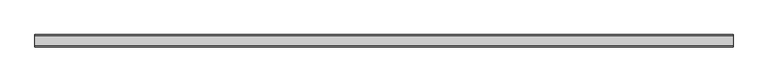
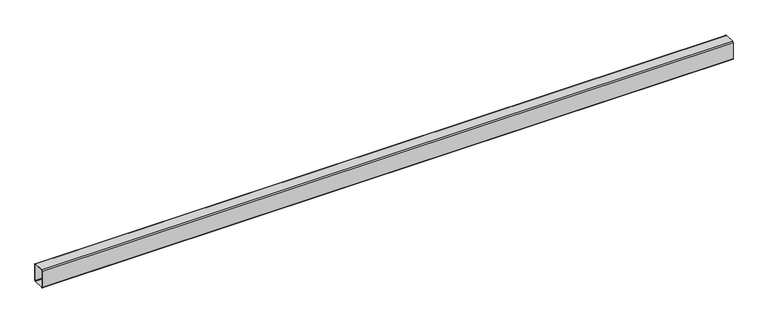
"""IFC4 building model written with IfcOpenShell, lengths in millimetres: beam geometry."""

import ifcopenshell
import ifcopenshell.guid

model = None  # the IFC model being written
_history = None  # IfcOwnerHistory: only IFC2X3 demands one
_inside = {}  # id of a spatial element -> (the spatial element, [elements in it])
_under = {}  # id of a project, library or spatial element -> (it, [spatial elements below it])
_declared = {}  # id of a project -> (the project, [libraries it declares])
_typed = {}  # id of a type object -> (the type object, [elements of that type])
_made_of = {}  # id of a material, layer set ... -> (it, [elements and type objects made of it])


def new_model(schema):
    """Start an empty IFC model of exactly this schema.

    Asked for "IFC4X3", IfcOpenShell would pick the latest addendum, in which some entities
    have other attributes; the version numbers below select the first issue.
    IFC2X3 requires an IfcOwnerHistory on every rooted entity: one is made here for all.
    """
    global model, _history
    if schema == "IFC4X3":
        model = ifcopenshell.file(schema_version=(4, 3, 0, 0))
    else:
        model = ifcopenshell.file(schema=schema)
    _inside.clear()
    _under.clear()
    _declared.clear()
    _typed.clear()
    _made_of.clear()
    _history = None
    if model.schema == "IFC2X3":
        org = make("IfcOrganization", Name="unknown")
        user = make(
            "IfcPersonAndOrganization",
            ThePerson=make("IfcPerson", FamilyName="unknown"),
            TheOrganization=org,
        )
        app = make(
            "IfcApplication",
            ApplicationDeveloper=org,
            Version="unknown",
            ApplicationFullName="unknown",
            ApplicationIdentifier="unknown",
        )
        _history = make(
            "IfcOwnerHistory",
            OwningUser=user,
            OwningApplication=app,
            ChangeAction="ADDED",
            CreationDate=0,
        )
    return model


def make(cls, **values):
    """One entity of the class cls with the attributes given. An attribute that is None is left unset."""
    return model.create_entity(
        cls, **{name: value for name, value in values.items() if value is not None}
    )


def rooted(cls, **values):
    """An entity with a GlobalId (a new one), such as an element, a storey or a relation."""
    return make(cls, GlobalId=ifcopenshell.guid.new(), OwnerHistory=_history, **values)


def si_unit(unit_type, name, prefix=None):
    """IfcSIUnit, for example si_unit("LENGTHUNIT", "METRE", prefix="MILLI")."""
    return make("IfcSIUnit", UnitType=unit_type, Prefix=prefix, Name=name)


def assignment(units):
    """IfcUnitAssignment: the units of a project."""
    return None if units is None else make("IfcUnitAssignment", Units=units)


def point(xyz):
    """IfcCartesianPoint."""
    return None if xyz is None else make("IfcCartesianPoint", Coordinates=xyz)


def direction(xyz):
    """IfcDirection."""
    return None if xyz is None else make("IfcDirection", DirectionRatios=xyz)


def frame(location, z_axis=None, x_axis=None):
    """IfcAxis2Placement3D, a coordinate frame: its origin and axes. An axis left out is left unset."""
    return make(
        "IfcAxis2Placement3D",
        Location=point(location),
        Axis=direction(z_axis),
        RefDirection=direction(x_axis),
    )


def frame_2d(location, x_axis=None):
    """IfcAxis2Placement2D, a coordinate frame in the plane: its origin and x axis."""
    return make(
        "IfcAxis2Placement2D", Location=point(location), RefDirection=direction(x_axis)
    )


def origin():
    """The frame at (0, 0, 0) with its axes left unset."""
    return frame((0.0, 0.0, 0.0))


def place(relative_to, where):
    """IfcLocalPlacement: puts the frame where relative to a parent placement (None: the world)."""
    return make(
        "IfcLocalPlacement", PlacementRelTo=relative_to, RelativePlacement=where
    )


def context(
    kind, dimensions, precision=None, world=None, true_north=None, identifier=None
):
    """IfcGeometricRepresentationContext, for example the 3D "Model" context."""
    return make(
        "IfcGeometricRepresentationContext",
        ContextIdentifier=identifier,
        ContextType=kind,
        CoordinateSpaceDimension=dimensions,
        Precision=precision,
        WorldCoordinateSystem=world,
        TrueNorth=true_north,
    )


def project(units=None, contexts=None):
    """IfcProject with its units and contexts."""
    return rooted(
        "IfcProject",
        Name="project",
        RepresentationContexts=contexts,
        UnitsInContext=assignment(units),
    )


def spatial(cls, under=None, at=None, **own):
    """A site, building, storey or space (cls), placed at a placement, below another one or the project."""
    s = rooted(cls, ObjectPlacement=at, **own)
    if under is not None:
        _under.setdefault(under.id(), (under, []))[1].append(s)
    return s


def polyline(points):
    """IfcPolyline through the points."""
    return make("IfcPolyline", Points=[point(p) for p in points])


def circle_curve(where, radius):
    """IfcCircle in the frame where."""
    return make("IfcCircle", Position=where, Radius=radius)


def trimmed(basis, trim1, trim2, sense, master):
    """IfcTrimmedCurve: the piece of a basis curve between two trims."""
    return make(
        "IfcTrimmedCurve",
        BasisCurve=basis,
        Trim1=trim1,
        Trim2=trim2,
        SenseAgreement=sense,
        MasterRepresentation=master,
    )


def segment(curve, same_sense, transition):
    """IfcCompositeCurveSegment."""
    return make(
        "IfcCompositeCurveSegment",
        Transition=transition,
        SameSense=same_sense,
        ParentCurve=curve,
    )


def composite_curve(segments, self_intersect=None):
    """IfcCompositeCurve: segments joined end to end."""
    return make("IfcCompositeCurve", Segments=segments, SelfIntersect=self_intersect)


def outline(outer, holes=None, kind="AREA"):
    """IfcArbitraryClosedProfileDef: a profile drawn as a closed curve; with holes, ...WithVoids."""
    if holes is None:
        return make("IfcArbitraryClosedProfileDef", ProfileType=kind, OuterCurve=outer)
    return make(
        "IfcArbitraryProfileDefWithVoids",
        ProfileType=kind,
        OuterCurve=outer,
        InnerCurves=holes,
    )


def extrude(swept, where, along, depth):
    """IfcExtrudedAreaSolid: the profile swept, set in the frame where, extruded along a direction by depth."""
    return make(
        "IfcExtrudedAreaSolid",
        SweptArea=swept,
        Position=where,
        ExtrudedDirection=direction(along),
        Depth=depth,
    )


def shape(context_of_items, identifier, shape_type, items):
    """IfcShapeRepresentation: the items that make up one representation, for example the "Body"."""
    return make(
        "IfcShapeRepresentation",
        ContextOfItems=context_of_items,
        RepresentationIdentifier=identifier,
        RepresentationType=shape_type,
        Items=items,
    )


def source(mapping_origin, context_of_items, identifier, shape_type, items):
    """IfcRepresentationMap: a shape defined once, which mapped items show again and again."""
    return make(
        "IfcRepresentationMap",
        MappingOrigin=mapping_origin,
        MappedRepresentation=shape(context_of_items, identifier, shape_type, items),
    )


def transform(
    local_origin,
    x_axis=None,
    y_axis=None,
    z_axis=None,
    scale=None,
    scale2=None,
    scale3=None,
    uniform=True,
):
    """IfcCartesianTransformationOperator3D, or its non-uniform kind. x_axis, y_axis, z_axis: its Axis1, 2, 3."""
    if uniform:
        return make(
            "IfcCartesianTransformationOperator3D",
            Axis1=direction(x_axis),
            Axis2=direction(y_axis),
            LocalOrigin=point(local_origin),
            Scale=scale,
            Axis3=direction(z_axis),
        )
    return make(
        "IfcCartesianTransformationOperator3DnonUniform",
        Axis1=direction(x_axis),
        Axis2=direction(y_axis),
        LocalOrigin=point(local_origin),
        Scale=scale,
        Axis3=direction(z_axis),
        Scale2=scale2,
        Scale3=scale3,
    )


def mapped(mapping_source, mapping_target):
    """IfcMappedItem: shows the shape of a source again, moved by a transform."""
    return make(
        "IfcMappedItem", MappingSource=mapping_source, MappingTarget=mapping_target
    )


def made_of(thing, what):
    """Note that an element or type object is made of a material, layer set ...; save() writes the relation."""
    if what is not None:
        _made_of.setdefault(what.id(), (what, []))[1].append(thing)
    return thing


def element(
    cls,
    number,
    at=None,
    inside=None,
    cuts=None,
    type_object=None,
    material=None,
    context=None,
    identifier="Body",
    shape_type=None,
    held_by="IfcProductDefinitionShape",
    body=None,
    shapes=None,
    **own,
):
    """One element of the class cls, such as IfcWall. Its Tag is "e" and its number.

    at: its placement. inside: the storey or other place that contains it. cuts: it is an
    opening in that element (IfcRelVoidsElement). A single representation is given by context,
    identifier, shape_type and body (its items); several are given by shapes. held_by: the class
    of the entity that holds the representations. save() writes the other relations.
    """
    e = rooted(cls, Tag="e%d" % number, ObjectPlacement=at, **own)
    if body is not None:
        shapes = [shape(context, identifier, shape_type, body)]
    if shapes is not None:
        e.Representation = make(held_by, Representations=shapes)
    if inside is not None:
        _inside.setdefault(inside.id(), (inside, []))[1].append(e)
    if cuts is not None:
        rooted(
            "IfcRelVoidsElement", RelatingBuildingElement=cuts, RelatedOpeningElement=e
        )
    if type_object is not None:
        _typed.setdefault(type_object.id(), (type_object, []))[1].append(e)
    return made_of(e, material)


def aggregate(whole, parts):
    """IfcRelAggregates: a whole, such as a stair, and the parts it consists of."""
    return rooted("IfcRelAggregates", RelatingObject=whole, RelatedObjects=parts)


def save(model, path):
    """Write the relations noted so far, then the file.

    IfcRelAggregates (storeys below a building ...), IfcRelContainedInSpatialStructure (elements
    in a storey), IfcRelDefinesByType, IfcRelAssociatesMaterial and IfcRelDeclares: one each for
    every whole, place, type object, material and project.
    """
    for whole, parts in _under.values():
        aggregate(whole, parts)
    for where, things in _inside.values():
        rooted(
            "IfcRelContainedInSpatialStructure",
            RelatedElements=things,
            RelatingStructure=where,
        )
    for kind, things in _typed.values():
        rooted("IfcRelDefinesByType", RelatedObjects=things, RelatingType=kind)
    for what, things in _made_of.values():
        rooted("IfcRelAssociatesMaterial", RelatedObjects=things, RelatingMaterial=what)
    for by, libraries in _declared.values():
        rooted("IfcRelDeclares", RelatingContext=by, RelatedDefinitions=libraries)
    model.write(path)


def beam_8427d070(model_context):
    return source(origin(), model_context, "Body", "SweptSolid", [
        extrude(outline(composite_curve([segment(polyline([(-21.0, 37.5), (21.0, 37.5)]), True, "CONTINUOUS"), segment(trimmed(circle_curve(frame_2d((21.0, 33.5)), 4.0), [point((21.0, 37.5))], [point((25.0, 33.5))], False, "CARTESIAN"), True, "CONTINUOUS"), segment(polyline([(25.0, 33.5), (25.0, -33.5)]), True, "CONTINUOUS"), segment(trimmed(circle_curve(frame_2d((21.0, -33.5)), 4.0), [point((25.0, -33.5))], [point((21.0, -37.5))], False, "CARTESIAN"), True, "CONTINUOUS"), segment(polyline([(21.0, -37.5), (-21.0, -37.5)]), True, "CONTINUOUS"), segment(trimmed(circle_curve(frame_2d((-21.0, -33.5)), 4.0), [point((-21.0, -37.5))], [point((-25.0, -33.5))], False, "CARTESIAN"), True, "CONTINUOUS"), segment(polyline([(-25.0, -33.5), (-25.0, 33.5)]), True, "CONTINUOUS"), segment(trimmed(circle_curve(frame_2d((-21.0, 33.5)), 4.0), [point((-25.0, 33.5))], [point((-21.0, 37.5))], False, "CARTESIAN"), True, "CONTINUOUS")], self_intersect=False), holes=[composite_curve([segment(trimmed(circle_curve(frame_2d((-21.0, 33.5)), 2.0), [point((-21.0, 35.5))], [point((-23.0, 33.5))], True, "CARTESIAN"), True, "CONTINUOUS"), segment(polyline([(-23.0, 33.5), (-23.0, -33.5)]), True, "CONTINUOUS"), segment(trimmed(circle_curve(frame_2d((-21.0, -33.5)), 2.0), [point((-23.0, -33.5))], [point((-21.0, -35.5))], True, "CARTESIAN"), True, "CONTINUOUS"), segment(polyline([(-21.0, -35.5), (21.0, -35.5)]), True, "CONTINUOUS"), segment(trimmed(circle_curve(frame_2d((21.0, -33.5)), 2.0), [point((21.0, -35.5))], [point((23.0, -33.5))], True, "CARTESIAN"), True, "CONTINUOUS"), segment(polyline([(23.0, -33.5), (23.0, 33.5)]), True, "CONTINUOUS"), segment(trimmed(circle_curve(frame_2d((21.0, 33.5)), 2.0), [point((23.0, 33.5))], [point((21.0, 35.5))], True, "CARTESIAN"), True, "CONTINUOUS"), segment(polyline([(21.0, 35.5), (-21.0, 35.5)]), True, "CONTINUOUS")], self_intersect=False)]), frame((-1424.8, 0.0, 0.0), z_axis=(1.0, 0.0, 0.0), x_axis=(0.0, 1.0, 0.0)), (0.0, 0.0, 1.0), 2774.6),
    ])


if __name__ == "__main__":
    model = new_model("IFC4")
    model_context = context("Model", 3, world=origin())
    ifc_project = project(units=[si_unit("LENGTHUNIT", "METRE", prefix="MILLI")], contexts=[model_context])
    site = spatial("IfcSite", under=ifc_project)
    building = spatial("IfcBuilding", under=site)
    placement = place(None, origin())
    beam_shape = beam_8427d070(model_context)
    element("IfcBeam", 1, at=placement, inside=building, context=model_context, shape_type="MappedRepresentation", body=[
        mapped(beam_shape, transform((0.0, 0.0, 0.0), x_axis=(1.0, 0.0, 0.0), y_axis=(0.0, 1.0, 0.0), z_axis=(0.0, 0.0, 1.0))),
    ])
    save(model, "model.ifc")
